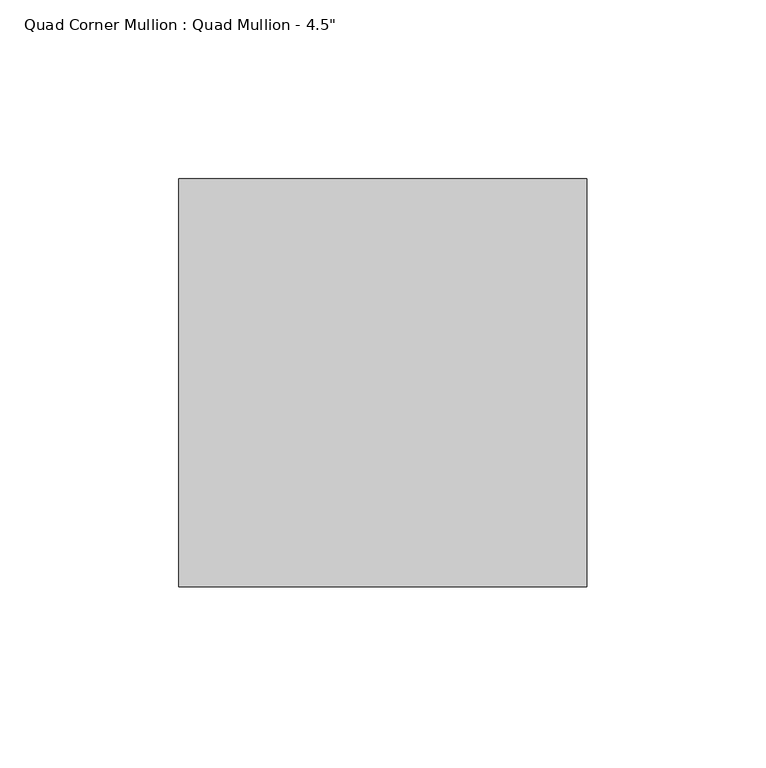
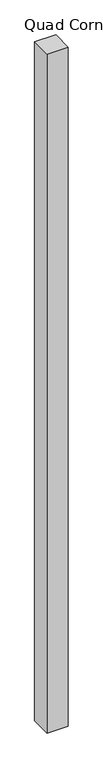
"""IFC4 building model written with IfcOpenShell, lengths in millimetres: member geometry."""

from ifc_helpers import new_model, si_unit, frame, origin, place, context, project, spatial, polyline, outline, extrude, source, transform, mapped, element, save


def member_d49bd533(model_context):
    return source(origin(), model_context, "Body", "SweptSolid", [
        extrude(outline(polyline([(57.15, -57.15), (-57.15, -57.15), (-57.15, 57.15), (57.15, 57.15), (57.15, -57.15)])), frame((0.0, 0.0, -3860.8), z_axis=(0.0, 0.0, 1.0), x_axis=(1.0, 0.0, 0.0)), (0.0, 0.0, 1.0), 3860.8),
    ])


if __name__ == "__main__":
    model = new_model("IFC4")
    model_context = context("Model", 3, world=origin())
    ifc_project = project(units=[si_unit("LENGTHUNIT", "METRE", prefix="MILLI")], contexts=[model_context])
    site = spatial("IfcSite", under=ifc_project)
    building = spatial("IfcBuilding", under=site)
    placement = place(None, origin())
    member_shape = member_d49bd533(model_context)
    element("IfcMember", 1, ObjectType="Quad Corner Mullion : Quad Mullion - 4.5\"", at=placement, inside=building, context=model_context, shape_type="MappedRepresentation", body=[
        mapped(member_shape, transform((0.0, 0.0, 0.0), x_axis=(1.0, 0.0, 0.0), y_axis=(0.0, 1.0, 0.0), z_axis=(0.0, 0.0, 1.0))),
    ])
    save(model, "model.ifc")
